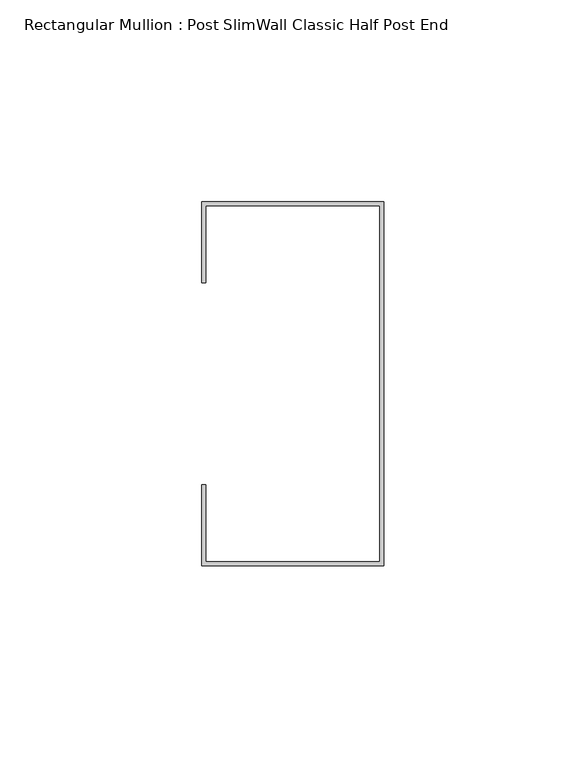
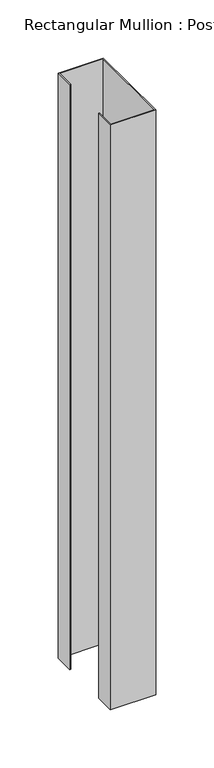
"""IFC4 building model written with IfcOpenShell, lengths in millimetres: member geometry, Rectangular Mullion : Post SlimWall Classic Half Post End."""

from ifc_helpers import new_model, si_unit, frame, origin, place, context, project, spatial, polyline, outline, extrude, source, transform, mapped, element, save


def rectangular_mullion_post_slimwall_classic_half_post_end_a93a1e94(model_context):
    return source(origin(), model_context, "Body", "SweptSolid", [
        extrude(outline(polyline([(-44.05, 44.05), (-44.05, 25.0), (-45.0, 25.0), (-45.0, 45.0), (0.0, 45.0), (0.0, -45.0), (-45.0, -45.0), (-45.0, -25.0), (-44.05, -25.0), (-44.05, -44.05), (-0.95, -44.05), (-0.95, 44.05), (-44.05, 44.05)])), frame((0.0, 0.0, -615.0), z_axis=(0.0, 0.0, 1.0), x_axis=(1.0, 0.0, 0.0)), (0.0, 0.0, 1.0), 615.0),
    ])


if __name__ == "__main__":
    model = new_model("IFC4")
    model_context = context("Model", 3, world=origin())
    ifc_project = project(units=[si_unit("LENGTHUNIT", "METRE", prefix="MILLI")], contexts=[model_context])
    site = spatial("IfcSite", under=ifc_project)
    building = spatial("IfcBuilding", under=site)
    placement = place(None, origin())
    rectangular_mullion_post_slimwall_classic_half_post_end_shape = rectangular_mullion_post_slimwall_classic_half_post_end_a93a1e94(model_context)
    element("IfcMember", 1, ObjectType="Rectangular Mullion : Post SlimWall Classic Half Post End", at=placement, inside=building, context=model_context, shape_type="MappedRepresentation", body=[
        mapped(rectangular_mullion_post_slimwall_classic_half_post_end_shape, transform((0.0, 0.0, 0.0), x_axis=(1.0, 0.0, 0.0), y_axis=(0.0, 1.0, 0.0), z_axis=(0.0, 0.0, 1.0))),
    ])
    save(model, "model.ifc")
